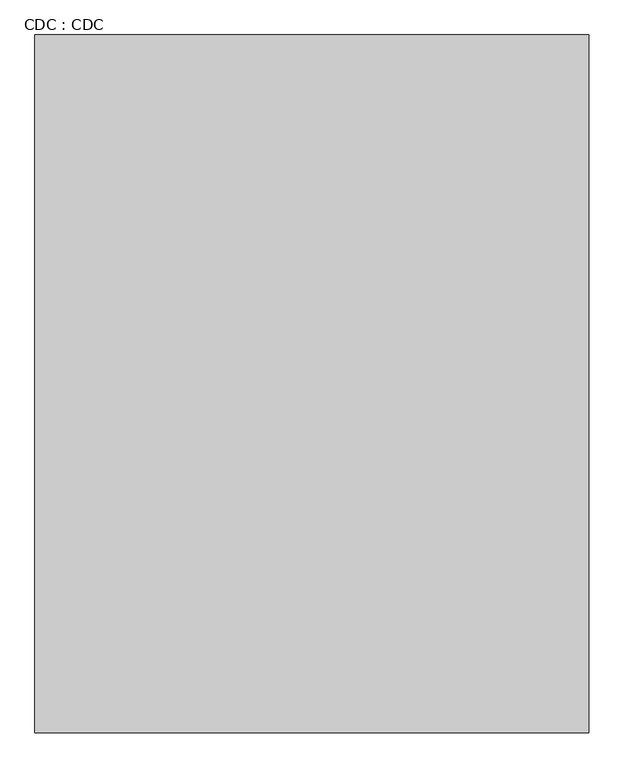
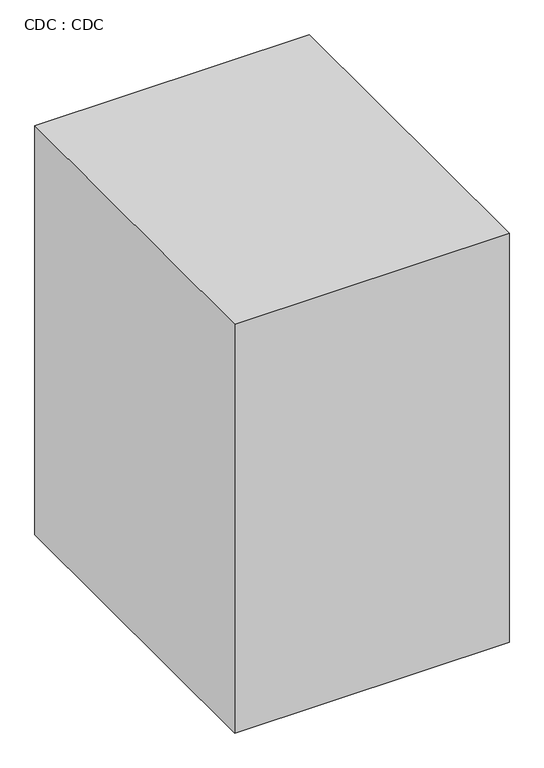
"""IFC4 building model written with IfcOpenShell, lengths in millimetres: proxy geometry, CDC : CDC."""

from ifc_helpers import new_model, si_unit, origin, origin_with_axes, place, context, project, spatial, polyline, outline, extrude, source, transform, mapped, element, save


def cdc_cdc_47728a8d(model_context):
    return source(origin(), model_context, "Body", "SweptSolid", [
        extrude(outline(polyline([(1098.7698077, -1048.818379), (-755.4301923, -1048.818379), (-755.4301923, 1287.981621), (1098.7698077, 1287.981621), (1098.7698077, -1048.818379)])), origin_with_axes(), (0.0, 0.0, 1.0), 2921.0),
    ])


if __name__ == "__main__":
    model = new_model("IFC4")
    model_context = context("Model", 3, world=origin())
    ifc_project = project(units=[si_unit("LENGTHUNIT", "METRE", prefix="MILLI")], contexts=[model_context])
    site = spatial("IfcSite", under=ifc_project)
    building = spatial("IfcBuilding", under=site)
    placement = place(None, origin())
    cdc_cdc_shape = cdc_cdc_47728a8d(model_context)
    element("IfcBuildingElementProxy", 1, Name="CDC : CDC", ObjectType="CDC : CDC", at=placement, inside=building, context=model_context, shape_type="MappedRepresentation", body=[
        mapped(cdc_cdc_shape, transform((0.0, 0.0, 0.0), x_axis=(1.0, 0.0, 0.0), y_axis=(0.0, 1.0, 0.0), z_axis=(0.0, 0.0, 1.0))),
    ])
    save(model, "model.ifc")
